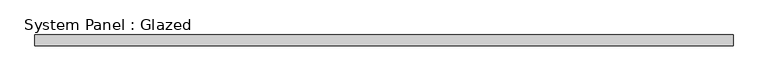
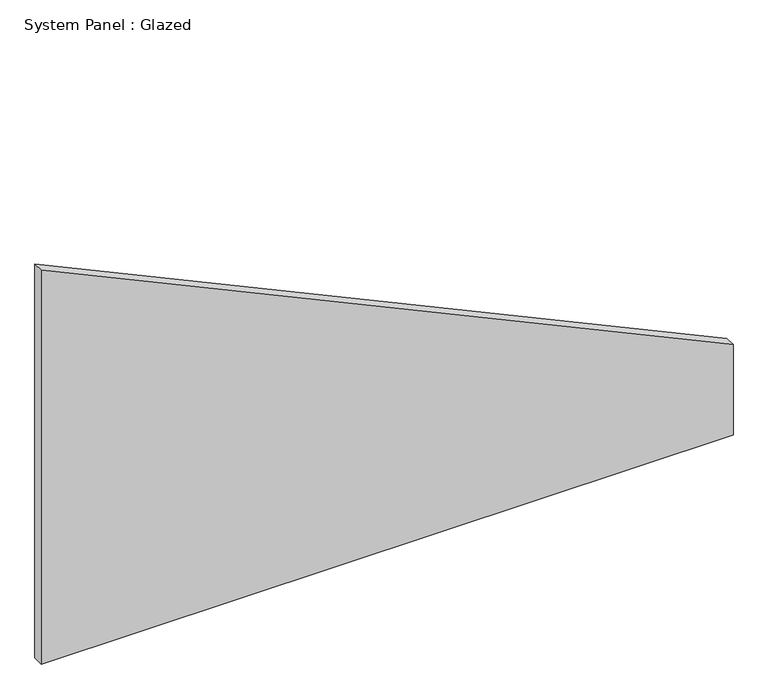
"""IFC4 building model written with IfcOpenShell, lengths in millimetres: plate geometry, System Panel : Glazed."""

from ifc_helpers import new_model, si_unit, frame, origin, place, context, project, spatial, polyline, outline, extrude, source, transform, mapped, element, save


def system_panel_glazed_5071f808(model_context):
    return source(origin(), model_context, "Body", "SweptSolid", [
        extrude(outline(polyline([(0.0, -808.6842105), (0.0, 808.6842105), (224.0289725, 808.6842105), (974.3266416, -808.6842105), (0.0, -808.6842105)])), frame((0.0, 52.5, 0.0), z_axis=(0.0, 1.0, 0.0), x_axis=(0.0, 0.0, 1.0)), (0.0, 0.0, 1.0), 25.0),
    ])


if __name__ == "__main__":
    model = new_model("IFC4")
    model_context = context("Model", 3, world=origin())
    ifc_project = project(units=[si_unit("LENGTHUNIT", "METRE", prefix="MILLI")], contexts=[model_context])
    site = spatial("IfcSite", under=ifc_project)
    building = spatial("IfcBuilding", under=site)
    placement = place(None, origin())
    system_panel_glazed_shape = system_panel_glazed_5071f808(model_context)
    element("IfcPlate", 1, ObjectType="System Panel : Glazed", at=placement, inside=building, context=model_context, shape_type="MappedRepresentation", body=[
        mapped(system_panel_glazed_shape, transform((0.0, 0.0, 0.0), x_axis=(1.0, 0.0, 0.0), y_axis=(0.0, 1.0, 0.0), z_axis=(0.0, 0.0, 1.0))),
    ])
    save(model, "model.ifc")
